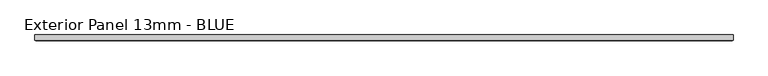
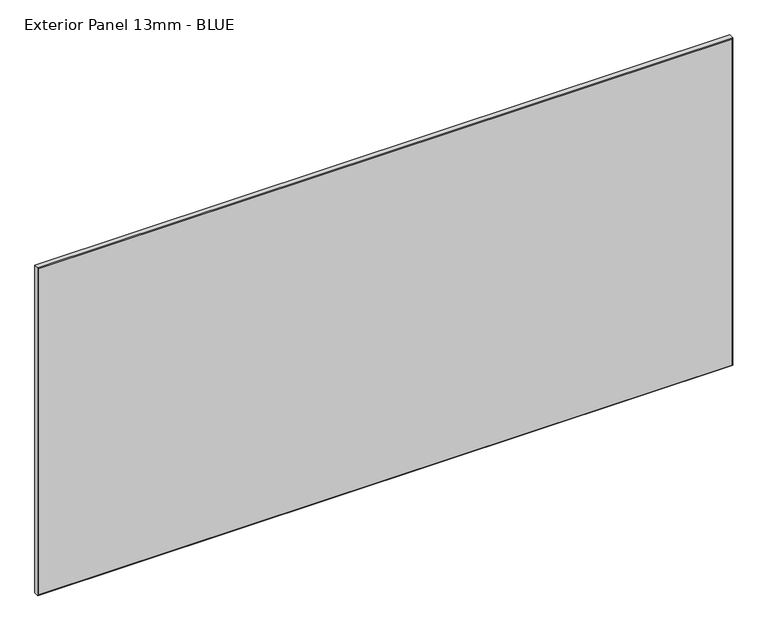
"""IFC4 building model written with IfcOpenShell, lengths in millimetres: proxy geometry, Exterior Panel 13mm - BLUE."""

from ifc_helpers import new_model, si_unit, origin, place, context, project, spatial, faceted_brep, source, transform, mapped, element, save


def exterior_panel_13mm_blue_450fd27b(model_context):
    return source(origin(), model_context, "Body", "Brep", [
        faceted_brep([(1112.8375, 6.35, 757.2375), (-406.4, 6.35, 757.2375), (-406.4, -4.7625, 757.2375), (1112.8375, -4.7625, 757.2375), (1112.8375, 6.35, 0.0), (1112.8375, -4.7625, 0.0), (-406.4, -4.7625, 0.0), (-406.4, 6.35, 0.0), (-404.8125, -6.35, 755.65), (-404.8125, -6.35, 1.5875), (1111.25, -6.35, 1.5875), (1111.25, -6.35, 755.65)], [[[0, 1, 2, 3]], [[4, 5, 6, 7]], [[1, 0, 4, 7]], [[2, 1, 7, 6]], [[8, 9, 10, 11]], [[0, 3, 5, 4]], [[2, 6, 9, 8]], [[5, 3, 11, 10]], [[3, 2, 8, 11]], [[6, 5, 10, 9]]]),
    ])


if __name__ == "__main__":
    model = new_model("IFC4")
    model_context = context("Model", 3, world=origin())
    ifc_project = project(units=[si_unit("LENGTHUNIT", "METRE", prefix="MILLI")], contexts=[model_context])
    site = spatial("IfcSite", under=ifc_project)
    building = spatial("IfcBuilding", under=site)
    placement = place(None, origin())
    exterior_panel_13mm_blue_shape = exterior_panel_13mm_blue_450fd27b(model_context)
    element("IfcBuildingElementProxy", 1, Name="Exterior Panel 13mm - BLUE", ObjectType="Exterior Panel 13mm - BLUE", at=placement, inside=building, context=model_context, shape_type="MappedRepresentation", body=[
        mapped(exterior_panel_13mm_blue_shape, transform((0.0, 0.0, 0.0), x_axis=(1.0, 0.0, 0.0), y_axis=(0.0, 1.0, 0.0), z_axis=(0.0, 0.0, 1.0))),
    ])
    save(model, "model.ifc")
